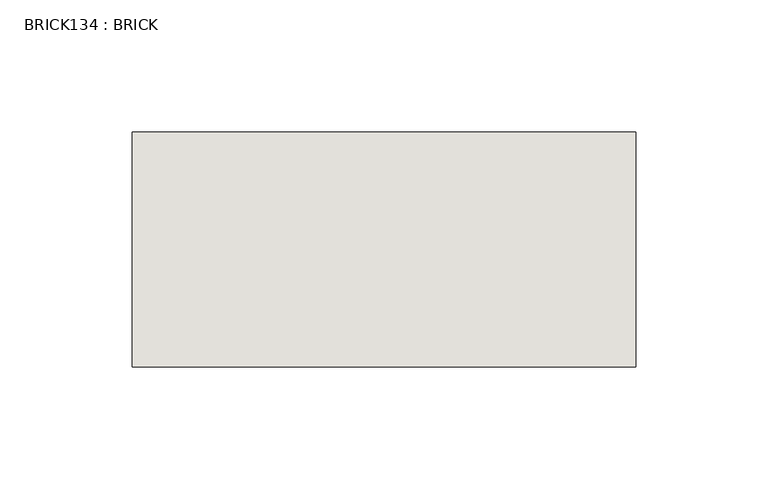
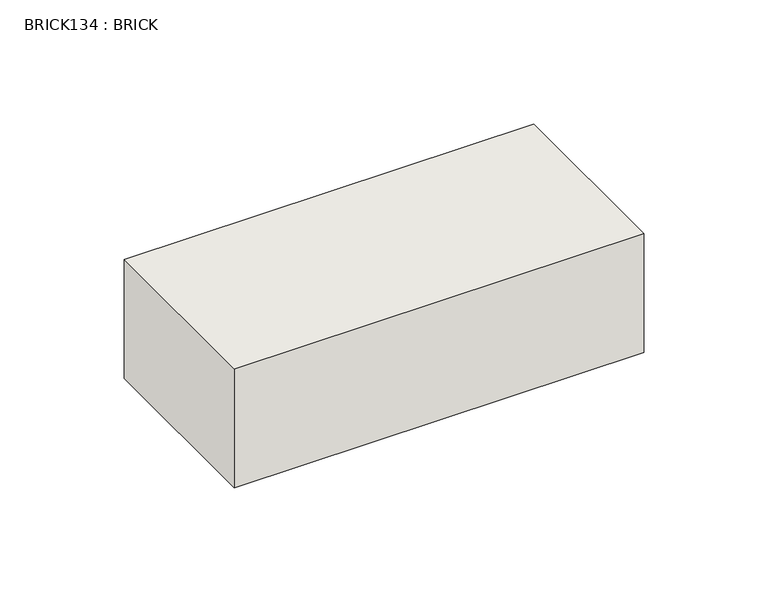
"""IFC4 building model written with IfcOpenShell, lengths in millimetres: wall geometry, BRICK134 : BRICK."""

from ifc_helpers import new_model, si_unit, frame, origin, place, context, project, spatial, polyline, outline, extrude, source, transform, mapped, element, save


def brick134_brick_abc132b3(model_context):
    return source(origin(), model_context, "Body", "SweptSolid", [
        extrude(outline(polyline([(325.7272594, 2586.2274125), (516.2272594, 2586.2274125), (516.2272594, 2497.3274125), (325.7272594, 2497.3274125), (325.7272594, 2586.2274125)])), frame((0.0, 0.0, 283.5671875), z_axis=(0.0, 0.0, 1.0), x_axis=(1.0, 0.0, 0.0)), (0.0, 0.0, 1.0), 58.4398437),
    ])


if __name__ == "__main__":
    model = new_model("IFC4")
    model_context = context("Model", 3, world=origin())
    ifc_project = project(units=[si_unit("LENGTHUNIT", "METRE", prefix="MILLI")], contexts=[model_context])
    site = spatial("IfcSite", under=ifc_project)
    building = spatial("IfcBuilding", under=site)
    placement = place(None, origin())
    brick134_brick_shape = brick134_brick_abc132b3(model_context)
    element("IfcWall", 1, ObjectType="BRICK134 : BRICK", at=placement, inside=building, context=model_context, shape_type="MappedRepresentation", body=[
        mapped(brick134_brick_shape, transform((0.0, 0.0, 0.0), x_axis=(1.0, 0.0, 0.0), y_axis=(0.0, 1.0, 0.0), z_axis=(0.0, 0.0, 1.0))),
    ])
    save(model, "model.ifc")
